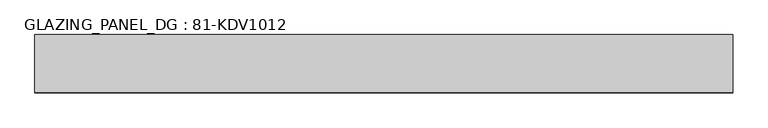
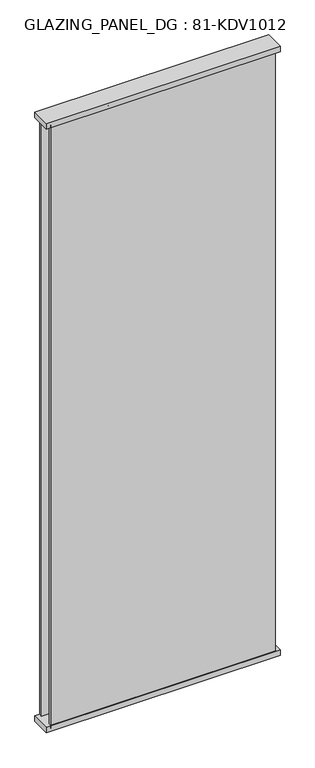
"""IFC4 building model written with IfcOpenShell, lengths in millimetres: plate geometry, GLAZING_PANEL_DG : 81-KDV1012."""

import ifcopenshell
import ifcopenshell.guid

model = None  # the IFC model being written
_history = None  # IfcOwnerHistory: only IFC2X3 demands one
_inside = {}  # id of a spatial element -> (the spatial element, [elements in it])
_under = {}  # id of a project, library or spatial element -> (it, [spatial elements below it])
_declared = {}  # id of a project -> (the project, [libraries it declares])
_typed = {}  # id of a type object -> (the type object, [elements of that type])
_made_of = {}  # id of a material, layer set ... -> (it, [elements and type objects made of it])


def new_model(schema):
    """Start an empty IFC model of exactly this schema.

    Asked for "IFC4X3", IfcOpenShell would pick the latest addendum, in which some entities
    have other attributes; the version numbers below select the first issue.
    IFC2X3 requires an IfcOwnerHistory on every rooted entity: one is made here for all.
    """
    global model, _history
    if schema == "IFC4X3":
        model = ifcopenshell.file(schema_version=(4, 3, 0, 0))
    else:
        model = ifcopenshell.file(schema=schema)
    _inside.clear()
    _under.clear()
    _declared.clear()
    _typed.clear()
    _made_of.clear()
    _history = None
    if model.schema == "IFC2X3":
        org = make("IfcOrganization", Name="unknown")
        user = make(
            "IfcPersonAndOrganization",
            ThePerson=make("IfcPerson", FamilyName="unknown"),
            TheOrganization=org,
        )
        app = make(
            "IfcApplication",
            ApplicationDeveloper=org,
            Version="unknown",
            ApplicationFullName="unknown",
            ApplicationIdentifier="unknown",
        )
        _history = make(
            "IfcOwnerHistory",
            OwningUser=user,
            OwningApplication=app,
            ChangeAction="ADDED",
            CreationDate=0,
        )
    return model


def make(cls, **values):
    """One entity of the class cls with the attributes given. An attribute that is None is left unset."""
    return model.create_entity(
        cls, **{name: value for name, value in values.items() if value is not None}
    )


def rooted(cls, **values):
    """An entity with a GlobalId (a new one), such as an element, a storey or a relation."""
    return make(cls, GlobalId=ifcopenshell.guid.new(), OwnerHistory=_history, **values)


def si_unit(unit_type, name, prefix=None):
    """IfcSIUnit, for example si_unit("LENGTHUNIT", "METRE", prefix="MILLI")."""
    return make("IfcSIUnit", UnitType=unit_type, Prefix=prefix, Name=name)


def assignment(units):
    """IfcUnitAssignment: the units of a project."""
    return None if units is None else make("IfcUnitAssignment", Units=units)


def point(xyz):
    """IfcCartesianPoint."""
    return None if xyz is None else make("IfcCartesianPoint", Coordinates=xyz)


def direction(xyz):
    """IfcDirection."""
    return None if xyz is None else make("IfcDirection", DirectionRatios=xyz)


def frame(location, z_axis=None, x_axis=None):
    """IfcAxis2Placement3D, a coordinate frame: its origin and axes. An axis left out is left unset."""
    return make(
        "IfcAxis2Placement3D",
        Location=point(location),
        Axis=direction(z_axis),
        RefDirection=direction(x_axis),
    )


def origin():
    """The frame at (0, 0, 0) with its axes left unset."""
    return frame((0.0, 0.0, 0.0))


def origin_with_axes():
    """The frame at (0, 0, 0) with the z axis (0, 0, 1) and the x axis (1, 0, 0) written out."""
    return frame((0.0, 0.0, 0.0), z_axis=(0.0, 0.0, 1.0), x_axis=(1.0, 0.0, 0.0))


def place(relative_to, where):
    """IfcLocalPlacement: puts the frame where relative to a parent placement (None: the world)."""
    return make(
        "IfcLocalPlacement", PlacementRelTo=relative_to, RelativePlacement=where
    )


def context(
    kind, dimensions, precision=None, world=None, true_north=None, identifier=None
):
    """IfcGeometricRepresentationContext, for example the 3D "Model" context."""
    return make(
        "IfcGeometricRepresentationContext",
        ContextIdentifier=identifier,
        ContextType=kind,
        CoordinateSpaceDimension=dimensions,
        Precision=precision,
        WorldCoordinateSystem=world,
        TrueNorth=true_north,
    )


def project(units=None, contexts=None):
    """IfcProject with its units and contexts."""
    return rooted(
        "IfcProject",
        Name="project",
        RepresentationContexts=contexts,
        UnitsInContext=assignment(units),
    )


def spatial(cls, under=None, at=None, **own):
    """A site, building, storey or space (cls), placed at a placement, below another one or the project."""
    s = rooted(cls, ObjectPlacement=at, **own)
    if under is not None:
        _under.setdefault(under.id(), (under, []))[1].append(s)
    return s


def polyline(points):
    """IfcPolyline through the points."""
    return make("IfcPolyline", Points=[point(p) for p in points])


def outline(outer, holes=None, kind="AREA"):
    """IfcArbitraryClosedProfileDef: a profile drawn as a closed curve; with holes, ...WithVoids."""
    if holes is None:
        return make("IfcArbitraryClosedProfileDef", ProfileType=kind, OuterCurve=outer)
    return make(
        "IfcArbitraryProfileDefWithVoids",
        ProfileType=kind,
        OuterCurve=outer,
        InnerCurves=holes,
    )


def extrude(swept, where, along, depth):
    """IfcExtrudedAreaSolid: the profile swept, set in the frame where, extruded along a direction by depth."""
    return make(
        "IfcExtrudedAreaSolid",
        SweptArea=swept,
        Position=where,
        ExtrudedDirection=direction(along),
        Depth=depth,
    )


def shape(context_of_items, identifier, shape_type, items):
    """IfcShapeRepresentation: the items that make up one representation, for example the "Body"."""
    return make(
        "IfcShapeRepresentation",
        ContextOfItems=context_of_items,
        RepresentationIdentifier=identifier,
        RepresentationType=shape_type,
        Items=items,
    )


def source(mapping_origin, context_of_items, identifier, shape_type, items):
    """IfcRepresentationMap: a shape defined once, which mapped items show again and again."""
    return make(
        "IfcRepresentationMap",
        MappingOrigin=mapping_origin,
        MappedRepresentation=shape(context_of_items, identifier, shape_type, items),
    )


def transform(
    local_origin,
    x_axis=None,
    y_axis=None,
    z_axis=None,
    scale=None,
    scale2=None,
    scale3=None,
    uniform=True,
):
    """IfcCartesianTransformationOperator3D, or its non-uniform kind. x_axis, y_axis, z_axis: its Axis1, 2, 3."""
    if uniform:
        return make(
            "IfcCartesianTransformationOperator3D",
            Axis1=direction(x_axis),
            Axis2=direction(y_axis),
            LocalOrigin=point(local_origin),
            Scale=scale,
            Axis3=direction(z_axis),
        )
    return make(
        "IfcCartesianTransformationOperator3DnonUniform",
        Axis1=direction(x_axis),
        Axis2=direction(y_axis),
        LocalOrigin=point(local_origin),
        Scale=scale,
        Axis3=direction(z_axis),
        Scale2=scale2,
        Scale3=scale3,
    )


def mapped(mapping_source, mapping_target):
    """IfcMappedItem: shows the shape of a source again, moved by a transform."""
    return make(
        "IfcMappedItem", MappingSource=mapping_source, MappingTarget=mapping_target
    )


def made_of(thing, what):
    """Note that an element or type object is made of a material, layer set ...; save() writes the relation."""
    if what is not None:
        _made_of.setdefault(what.id(), (what, []))[1].append(thing)
    return thing


def element(
    cls,
    number,
    at=None,
    inside=None,
    cuts=None,
    type_object=None,
    material=None,
    context=None,
    identifier="Body",
    shape_type=None,
    held_by="IfcProductDefinitionShape",
    body=None,
    shapes=None,
    **own,
):
    """One element of the class cls, such as IfcWall. Its Tag is "e" and its number.

    at: its placement. inside: the storey or other place that contains it. cuts: it is an
    opening in that element (IfcRelVoidsElement). A single representation is given by context,
    identifier, shape_type and body (its items); several are given by shapes. held_by: the class
    of the entity that holds the representations. save() writes the other relations.
    """
    e = rooted(cls, Tag="e%d" % number, ObjectPlacement=at, **own)
    if body is not None:
        shapes = [shape(context, identifier, shape_type, body)]
    if shapes is not None:
        e.Representation = make(held_by, Representations=shapes)
    if inside is not None:
        _inside.setdefault(inside.id(), (inside, []))[1].append(e)
    if cuts is not None:
        rooted(
            "IfcRelVoidsElement", RelatingBuildingElement=cuts, RelatedOpeningElement=e
        )
    if type_object is not None:
        _typed.setdefault(type_object.id(), (type_object, []))[1].append(e)
    return made_of(e, material)


def aggregate(whole, parts):
    """IfcRelAggregates: a whole, such as a stair, and the parts it consists of."""
    return rooted("IfcRelAggregates", RelatingObject=whole, RelatedObjects=parts)


def save(model, path):
    """Write the relations noted so far, then the file.

    IfcRelAggregates (storeys below a building ...), IfcRelContainedInSpatialStructure (elements
    in a storey), IfcRelDefinesByType, IfcRelAssociatesMaterial and IfcRelDeclares: one each for
    every whole, place, type object, material and project.
    """
    for whole, parts in _under.values():
        aggregate(whole, parts)
    for where, things in _inside.values():
        rooted(
            "IfcRelContainedInSpatialStructure",
            RelatedElements=things,
            RelatingStructure=where,
        )
    for kind, things in _typed.values():
        rooted("IfcRelDefinesByType", RelatedObjects=things, RelatingType=kind)
    for what, things in _made_of.values():
        rooted("IfcRelAssociatesMaterial", RelatedObjects=things, RelatingMaterial=what)
    for by, libraries in _declared.values():
        rooted("IfcRelDeclares", RelatingContext=by, RelatedDefinitions=libraries)
    model.write(path)


def glazing_panel_dg_81_kdv1012_30adde66(model_context):
    return source(origin(), model_context, "Body", "SweptSolid", [
        extrude(outline(polyline([(480.0, -39.5), (-480.0, -39.5), (-480.0, -29.5), (480.0, -29.5), (480.0, -39.5)])), frame((0.0, 0.0, 12.0), z_axis=(0.0, 0.0, 1.0), x_axis=(1.0, 0.0, 0.0)), (0.0, 0.0, 1.0), 2730.0),
        extrude(outline(polyline([(480.0, 27.5), (-480.0, 27.5), (-480.0, 39.5), (480.0, 39.5), (480.0, 27.5)])), frame((0.0, 0.0, 12.0), z_axis=(0.0, 0.0, 1.0), x_axis=(1.0, 0.0, 0.0)), (0.0, 0.0, 1.0), 2730.0),
        extrude(outline(polyline([(500.0, 41.5), (500.0, -41.5), (-500.0, -41.5), (-500.0, 41.5), (500.0, 41.5)])), frame((0.0, 0.0, 2730.0), z_axis=(0.0, 0.0, 1.0), x_axis=(1.0, 0.0, 0.0)), (0.0, 0.0, 1.0), 25.0),
        extrude(outline(polyline([(500.0, -41.5), (-500.0, -41.5), (-500.0, 41.5), (500.0, 41.5), (500.0, -41.5)])), origin_with_axes(), (0.0, 0.0, 1.0), 25.0),
    ])


if __name__ == "__main__":
    model = new_model("IFC4")
    model_context = context("Model", 3, world=origin())
    ifc_project = project(units=[si_unit("LENGTHUNIT", "METRE", prefix="MILLI")], contexts=[model_context])
    site = spatial("IfcSite", under=ifc_project)
    building = spatial("IfcBuilding", under=site)
    placement = place(None, origin())
    glazing_panel_dg_81_kdv1012_shape = glazing_panel_dg_81_kdv1012_30adde66(model_context)
    element("IfcPlate", 1, ObjectType="GLAZING_PANEL_DG : 81-KDV1012", at=placement, inside=building, context=model_context, shape_type="MappedRepresentation", body=[
        mapped(glazing_panel_dg_81_kdv1012_shape, transform((0.0, 0.0, 0.0), x_axis=(1.0, 0.0, 0.0), y_axis=(0.0, 1.0, 0.0), z_axis=(0.0, 0.0, 1.0))),
    ])
    save(model, "model.ifc")
